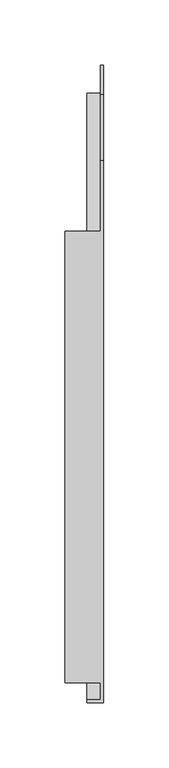
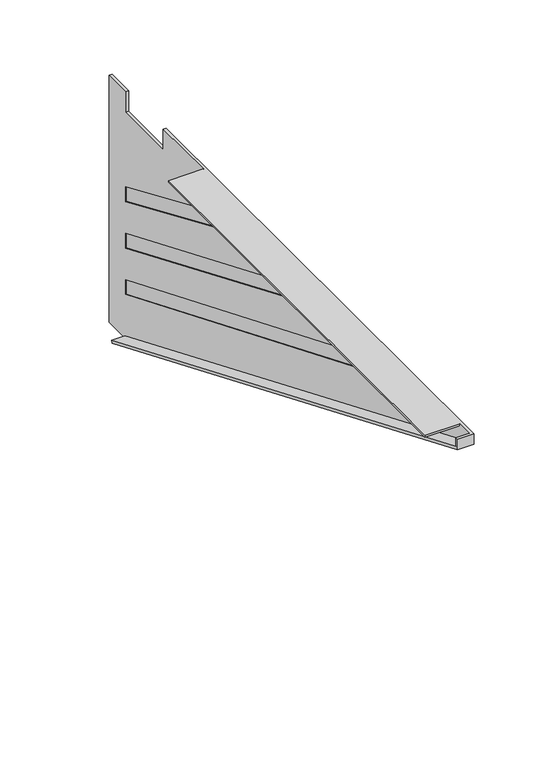
"""IFC4 building model written with IfcOpenShell, lengths in millimetres: furniture geometry."""

from ifc_helpers import new_model, si_unit, origin, place, context, project, spatial, faceted_brep, source, transform, mapped, element, save


def furniture_b795992d(model_context):
    return source(origin(), model_context, "Body", "Brep", [
        faceted_brep([(4.0676512, 265.9558598, 708.60412), (4.0676512, 265.9558598, 691.6377137), (4.0676512, 316.7558601, 691.6377137), (4.0676512, 316.7558601, 708.60412), (4.0676512, 338.9808594, 708.60412), (4.0676512, 338.9808594, 505.40412), (4.0676512, 316.7558601, 505.40412), (4.0676512, 317.635086, 507.5060185), (4.0676512, -146.2023206, 701.529575), (4.0676512, -146.2023206, 708.60412), (4.0676512, -133.4589776, 708.60412), (4.0676512, -133.4589776, 707.0801215), (4.0676512, 211.9808613, 707.0801215), (4.0676512, 211.9808613, 708.60412), (4.0676512, 316.7558601, 554.1166691), (4.0676512, -16.6213816, 691.6377137), (4.0676512, -44.782029, 691.6377137), (4.0676512, 316.7558601, 541.9246691), (4.0676512, 316.7558601, 592.2193517), (4.0676512, 79.254853, 691.6377137), (4.0676512, 51.0942056, 691.6377137), (4.0676512, 316.7558601, 580.0273517), (4.0676512, 316.7558601, 630.3220343), (4.0676512, 175.1310876, 691.6377137), (4.0676512, 146.9704402, 691.6377137), (4.0676512, 316.7558601, 618.1300343), (6.35, -148.4807006, 708.60412), (6.35, -148.4807006, 700.0129438), (6.35, 316.7558601, 505.40412), (6.35, 338.9808594, 505.40412), (6.35, 338.9808594, 708.60412), (6.35, 316.7558601, 708.60412), (6.35, 316.7558601, 691.6377137), (6.35, 265.9558598, 691.6377137), (6.35, 265.9558598, 708.60412), (6.35, -16.6213816, 691.6377137), (6.35, 316.7558601, 554.1166691), (6.35, 316.7558601, 541.9246691), (6.35, -44.782029, 691.6377137), (6.35, 79.254853, 691.6377137), (6.35, 316.7558601, 592.2193517), (6.35, 316.7558601, 580.0273517), (6.35, 51.0942056, 691.6377137), (6.35, 175.1310876, 691.6377137), (6.35, 316.7558601, 630.3220343), (6.35, 316.7558601, 618.1300343), (6.35, 146.9704402, 691.6377137), (-6.35, -148.4807006, 700.0129438), (-6.35, 316.7558601, 505.40412), (-23.1179687, 211.9808613, 708.60412), (-23.1179687, -133.4589776, 708.60412), (-6.35, -146.2023206, 708.60412), (-6.35, -148.4807006, 708.60412), (-23.1179687, -133.4589776, 707.0801215), (-23.1179687, 211.9808613, 707.0801215), (-6.35, -146.2023206, 701.529575), (-6.35, 317.635086, 507.5060185), (4.8614012, -16.6213816, 691.6377137), (4.8614012, 316.7558601, 554.1166691), (4.8614012, 316.7558601, 541.9246691), (4.8614012, -44.782029, 691.6377137), (4.8614012, 79.254853, 691.6377137), (4.8614012, 316.7558601, 592.2193517), (4.8614012, 316.7558601, 580.0273517), (4.8614012, 51.0942056, 691.6377137), (4.8614012, 175.1310876, 691.6377137), (4.8614012, 316.7558601, 630.3220343), (4.8614012, 316.7558601, 618.1300343), (4.8614012, 146.9704402, 691.6377137), (5.5522812, -16.6213816, 691.6377137), (5.5522812, -44.782029, 691.6377137), (5.5522812, 316.7558601, 541.9246691), (5.5522812, 316.7558601, 554.1166691), (5.5522812, 79.254853, 691.6377137), (5.5522812, 51.0942056, 691.6377137), (5.5522812, 316.7558601, 580.0273517), (5.5522812, 316.7558601, 592.2193517), (5.5522812, 175.1310876, 691.6377137), (5.5522812, 146.9704402, 691.6377137), (5.5522812, 316.7558601, 618.1300343), (5.5522812, 316.7558601, 630.3220343)], [[[0, 1, 2, 3, 4, 5, 6, 7, 8, 9, 10, 11, 12, 13], [14, 15, 16, 17], [18, 19, 20, 21], [22, 23, 24, 25]], [[26, 27, 28, 29, 30, 31, 32, 33, 34], [35, 36, 37, 38], [39, 40, 41, 42], [43, 44, 45, 46]], [[1, 0, 34, 33]], [[2, 1, 33, 32]], [[3, 2, 32, 31]], [[4, 3, 31, 30]], [[5, 4, 30, 29]], [[6, 5, 29, 28]], [[28, 27, 47, 48, 6]], [[34, 0, 13, 49, 50, 10, 9, 51, 52, 26]], [[53, 54, 12, 11]], [[54, 49, 13, 12]], [[54, 53, 50, 49]], [[50, 53, 11, 10]], [[27, 26, 52, 47]], [[55, 8, 7, 56]], [[51, 9, 8, 55]], [[57, 58, 59, 60]], [[61, 62, 63, 64]], [[65, 66, 67, 68]], [[58, 57, 15, 14]], [[59, 58, 14, 17]], [[60, 59, 17, 16]], [[57, 60, 16, 15]], [[62, 61, 19, 18]], [[63, 62, 18, 21]], [[64, 63, 21, 20]], [[61, 64, 20, 19]], [[66, 65, 23, 22]], [[67, 66, 22, 25]], [[68, 67, 25, 24]], [[65, 68, 24, 23]], [[69, 70, 71, 72]], [[73, 74, 75, 76]], [[77, 78, 79, 80]], [[69, 72, 36, 35]], [[72, 71, 37, 36]], [[71, 70, 38, 37]], [[70, 69, 35, 38]], [[73, 76, 40, 39]], [[76, 75, 41, 40]], [[75, 74, 42, 41]], [[74, 73, 39, 42]], [[77, 80, 44, 43]], [[80, 79, 45, 44]], [[79, 78, 46, 45]], [[78, 77, 43, 46]], [[6, 48, 56, 7]], [[52, 51, 55, 56, 48, 47]]]),
    ])


if __name__ == "__main__":
    model = new_model("IFC4")
    model_context = context("Model", 3, world=origin())
    ifc_project = project(units=[si_unit("LENGTHUNIT", "METRE", prefix="MILLI")], contexts=[model_context])
    site = spatial("IfcSite", under=ifc_project)
    building = spatial("IfcBuilding", under=site)
    placement = place(None, origin())
    furniture_shape = furniture_b795992d(model_context)
    element("IfcFurniture", 1, at=placement, inside=building, context=model_context, shape_type="MappedRepresentation", body=[
        mapped(furniture_shape, transform((0.0, 0.0, 0.0), x_axis=(1.0, 0.0, 0.0), y_axis=(0.0, 1.0, 0.0), z_axis=(0.0, 0.0, 1.0))),
    ])
    save(model, "model.ifc")
